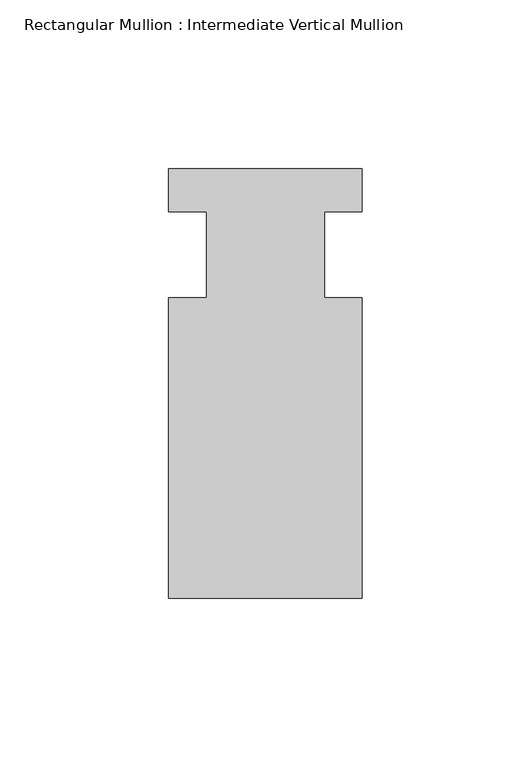
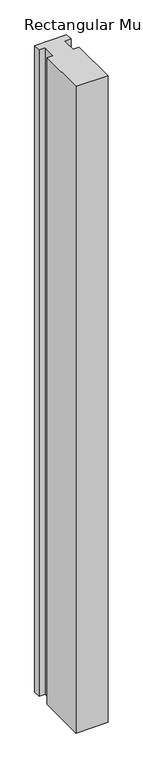
"""IFC4 building model written with IfcOpenShell, lengths in millimetres: member geometry, Rectangular Mullion : Intermediate Vertical Mullion."""

from ifc_helpers import new_model, si_unit, frame, origin, place, context, project, spatial, polyline, outline, extrude, source, transform, mapped, element, save


def rectangular_mullion_intermediate_vertical_mullion_2330528a(model_context):
    return source(origin(), model_context, "Body", "SweptSolid", [
        extrude(outline(polyline([(28.5993716, -101.6075892), (-28.575, -101.6075892), (-28.575, -12.649478), (-17.4761827, -12.649478), (-17.4761827, 12.750522), (-28.575, 12.750522), (-28.575, 25.4), (28.5993716, 25.4), (28.5993716, 12.750522), (17.4751543, 12.750522), (17.4751543, -12.649478), (28.5993716, -12.649478), (28.5993716, -101.6075892)])), frame((0.0, 0.0, -1219.2), z_axis=(0.0, 0.0, 1.0), x_axis=(1.0, 0.0, 0.0)), (0.0, 0.0, 1.0), 1219.2),
    ])


if __name__ == "__main__":
    model = new_model("IFC4")
    model_context = context("Model", 3, world=origin())
    ifc_project = project(units=[si_unit("LENGTHUNIT", "METRE", prefix="MILLI")], contexts=[model_context])
    site = spatial("IfcSite", under=ifc_project)
    building = spatial("IfcBuilding", under=site)
    placement = place(None, origin())
    rectangular_mullion_intermediate_vertical_mullion_shape = rectangular_mullion_intermediate_vertical_mullion_2330528a(model_context)
    element("IfcMember", 1, ObjectType="Rectangular Mullion : Intermediate Vertical Mullion", at=placement, inside=building, context=model_context, shape_type="MappedRepresentation", body=[
        mapped(rectangular_mullion_intermediate_vertical_mullion_shape, transform((0.0, 0.0, 0.0), x_axis=(1.0, 0.0, 0.0), y_axis=(0.0, 1.0, 0.0), z_axis=(0.0, 0.0, 1.0))),
    ])
    save(model, "model.ifc")
